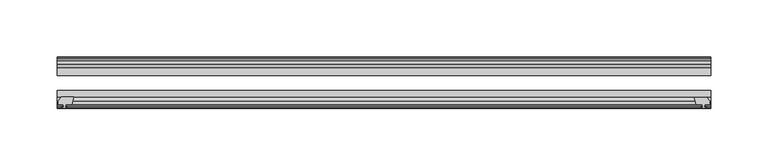
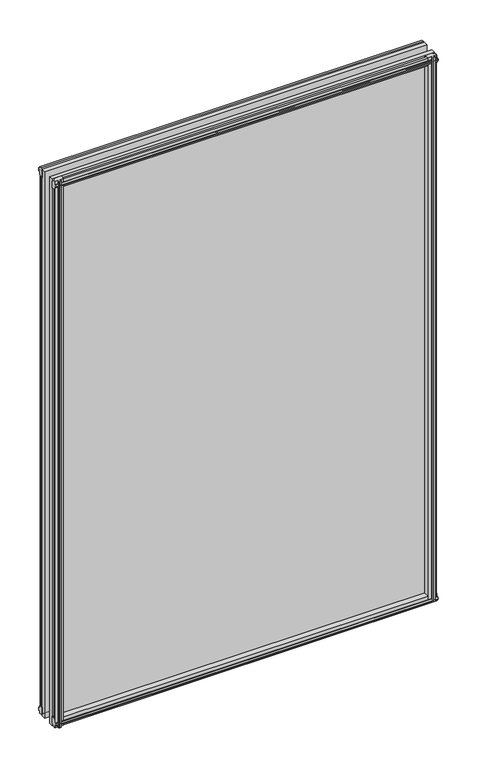
"""IFC4 building model written with IfcOpenShell, lengths in millimetres: plate geometry."""

from ifc_helpers import new_model, si_unit, frame, origin, place, context, project, spatial, polyline, outline, extrude, source, transform, mapped, element, save


def plate_455b82fd(model_context):
    return source(origin(), model_context, "Body", "SweptSolid", [
        extrude(outline(polyline([(-271.3322819, -83.1453125), (-273.05, -89.4953125), (-278.257, -89.4953125), (-278.638, -91.8755095), (-277.2224709, -91.4155762), (-277.2224709, -92.2167904), (-279.4, -92.9243125), (-281.577529, -92.2167904), (-281.577529, -91.4155762), (-280.162, -91.8755095), (-280.543, -89.4953125), (-284.988, -89.4953125), (-284.988, -86.5489125), (-282.1536578, -83.1453125), (-271.3322819, -83.1453125)])), frame((0.0, 0.0, -12.4587), z_axis=(0.0, 0.0, 1.0), x_axis=(1.0, 0.0, 0.0)), (0.0, 0.0, 1.0), 863.1173996),
        extrude(outline(polyline([(271.3538926, -83.2252021), (282.1752685, -83.2252021), (285.0096107, -86.6288021), (285.0096107, -89.5752021), (280.5646107, -89.5752021), (280.1836107, -91.9553991), (281.5991397, -91.4954658), (281.5991397, -92.29668), (279.4216107, -93.0042021), (277.2440816, -92.29668), (277.2440816, -91.4954658), (278.6596107, -91.9553991), (278.2786107, -89.5752021), (273.0716107, -89.5752021), (271.3538926, -83.2252021)])), frame((0.0, 0.0, -9.0482291), z_axis=(0.0, 0.0, 1.0), x_axis=(1.0, 0.0, 0.0)), (0.0, 0.0, 1.0), 859.7069287),
        extrude(outline(polyline([(-280.6827, -49.0151155), (-282.098229, -49.4750488), (-282.098229, -48.6738346), (-279.9207, -47.9663125), (-277.7431709, -48.6738346), (-277.7431709, -49.4750488), (-279.1587, -49.0151155), (-278.7777, -51.3953125), (-273.5707, -51.3953125), (-271.8529819, -57.7453125), (-282.6743578, -57.7453125), (-285.5087, -54.3417125), (-285.5087, -51.3953125), (-281.0637, -51.3953125), (-280.6827, -49.0151155)])), frame((0.0, 0.0, -12.4587), z_axis=(0.0, 0.0, 1.0), x_axis=(1.0, 0.0, 0.0)), (0.0, 0.0, 1.0), 856.7673996),
        extrude(outline(polyline([(271.8529819, -57.7453125), (273.5707, -51.3953125), (278.7777, -51.3953125), (279.1587, -49.0151155), (277.7431709, -49.4750488), (277.7431709, -48.6738346), (279.9207, -47.9663125), (282.098229, -48.6738346), (282.098229, -49.4750488), (280.6827, -49.0151155), (281.0637, -51.3953125), (285.5087, -51.3953125), (285.5087, -54.3417125), (282.6743578, -57.7453125), (271.8529819, -57.7453125)])), frame((0.0, 0.0, -12.4587), z_axis=(0.0, 0.0, 1.0), x_axis=(1.0, 0.0, 0.0)), (0.0, 0.0, 1.0), 856.7673996),
        extrude(outline(polyline([(-48.6738346, -4.6931709), (-47.9663125, -6.8707), (-48.6738346, -9.0482291), (-49.4750488, -9.0482291), (-49.0151155, -7.6327), (-51.3953125, -8.0137), (-51.3953125, -12.4587), (-54.3417125, -12.4587), (-57.7453125, -9.6243578), (-57.7453125, 1.1970181), (-51.3953125, -0.5207), (-51.3953125, -5.7277), (-49.0151155, -6.1087), (-49.4750488, -4.6931709), (-48.6738346, -4.6931709)])), frame((-285.75, 0.0, 0.0), z_axis=(1.0, 0.0, 0.0), x_axis=(0.0, 1.0, 0.0)), (0.0, 0.0, 1.0), 571.5),
        extrude(outline(polyline([(-83.1453125, 1.7177181), (-83.1453125, -9.1036578), (-86.5489125, -11.938), (-89.4953125, -11.938), (-89.4953125, -7.493), (-91.8755095, -7.112), (-91.4155762, -8.5275291), (-92.2167904, -8.5275291), (-92.9243125, -6.35), (-92.2167904, -4.1724709), (-91.4155762, -4.1724709), (-91.8755095, -5.588), (-89.4953125, -5.207), (-89.4953125, 0.0), (-83.1453125, 1.7177181)])), frame((-285.75, 0.0, 0.0), z_axis=(1.0, 0.0, 0.0), x_axis=(0.0, 1.0, 0.0)), (0.0, 0.0, 1.0), 571.5),
        extrude(outline(polyline([(-49.0151155, 845.8326996), (-49.4750488, 847.2482287), (-48.6738346, 847.2482287), (-47.9663125, 845.0706996), (-48.6738346, 842.8931706), (-49.4750488, 842.8931706), (-49.0151155, 844.3086996), (-51.3953125, 843.9276996), (-51.3953125, 838.7206996), (-57.7453125, 837.0029816), (-57.7453125, 847.8243575), (-54.3417125, 850.6586996), (-51.3953125, 850.6586996), (-51.3953125, 846.2136996), (-49.0151155, 845.8326996)])), frame((-285.75, 0.0, 0.0), z_axis=(1.0, 0.0, 0.0), x_axis=(0.0, 1.0, 0.0)), (0.0, 0.0, 1.0), 571.5),
        extrude(outline(polyline([(-89.4953125, 850.1379996), (-86.5489125, 850.1379996), (-83.1453125, 847.3036575), (-83.1453125, 836.4822816), (-89.4953125, 838.1999996), (-89.4953125, 843.4069996), (-91.8755095, 843.7879996), (-91.4155762, 842.3724706), (-92.2167904, 842.3724706), (-92.9243125, 844.5499996), (-92.2167904, 846.7275287), (-91.4155762, 846.7275287), (-91.8755095, 845.3119996), (-89.4953125, 845.6929996), (-89.4953125, 850.1379996)])), frame((-285.75, 0.0, 0.0), z_axis=(1.0, 0.0, 0.0), x_axis=(0.0, 1.0, 0.0)), (0.0, 0.0, 1.0), 571.5),
        extrude(outline(polyline([(-285.75, -57.7453125), (285.75, -57.7453125), (285.75, -64.0953125), (-285.75, -64.0953125), (-285.75, -57.7453125)])), frame((0.0, 0.0, -12.7), z_axis=(0.0, 0.0, 1.0), x_axis=(1.0, 0.0, 0.0)), (0.0, 0.0, 1.0), 863.5999996),
        extrude(outline(polyline([(-285.75, -77.1178925), (285.75, -77.1178925), (285.75, -83.1453125), (-285.75, -83.1453125), (-285.75, -77.1178925)])), frame((0.0, 0.0, -12.7), z_axis=(0.0, 0.0, 1.0), x_axis=(1.0, 0.0, 0.0)), (0.0, 0.0, 1.0), 863.5999996),
    ])


if __name__ == "__main__":
    model = new_model("IFC4")
    model_context = context("Model", 3, world=origin())
    ifc_project = project(units=[si_unit("LENGTHUNIT", "METRE", prefix="MILLI")], contexts=[model_context])
    site = spatial("IfcSite", under=ifc_project)
    building = spatial("IfcBuilding", under=site)
    placement = place(None, origin())
    plate_shape = plate_455b82fd(model_context)
    element("IfcPlate", 1, at=placement, inside=building, context=model_context, shape_type="MappedRepresentation", body=[
        mapped(plate_shape, transform((0.0, 0.0, 0.0), x_axis=(1.0, 0.0, 0.0), y_axis=(0.0, 1.0, 0.0), z_axis=(0.0, 0.0, 1.0))),
    ])
    save(model, "model.ifc")
